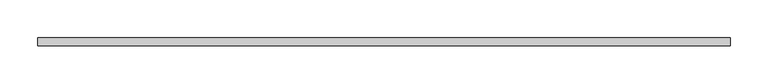
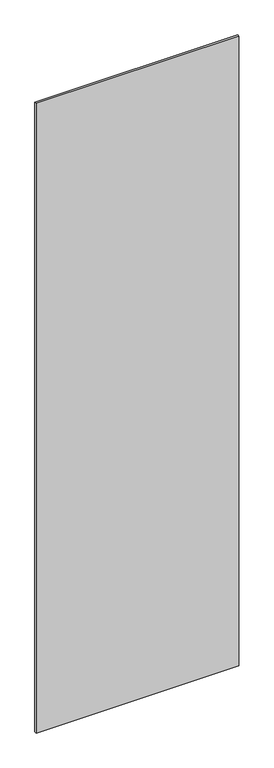
"""IFC4 building model written with IfcOpenShell, lengths in millimetres: plate geometry."""

from ifc_helpers import new_model, si_unit, origin, origin_with_axes, place, context, project, spatial, polyline, outline, extrude, source, transform, mapped, element, save


def plate_ba869d53(model_context):
    return source(origin(), model_context, "Body", "SweptSolid", [
        extrude(outline(polyline([(456.0, 5.0), (456.0, -5.0), (-456.0, -5.0), (-456.0, 5.0), (456.0, 5.0)])), origin_with_axes(), (0.0, 0.0, 1.0), 2994.0),
    ])


if __name__ == "__main__":
    model = new_model("IFC4")
    model_context = context("Model", 3, world=origin())
    ifc_project = project(units=[si_unit("LENGTHUNIT", "METRE", prefix="MILLI")], contexts=[model_context])
    site = spatial("IfcSite", under=ifc_project)
    building = spatial("IfcBuilding", under=site)
    placement = place(None, origin())
    plate_shape = plate_ba869d53(model_context)
    element("IfcPlate", 1, at=placement, inside=building, context=model_context, shape_type="MappedRepresentation", body=[
        mapped(plate_shape, transform((0.0, 0.0, 0.0), x_axis=(1.0, 0.0, 0.0), y_axis=(0.0, 1.0, 0.0), z_axis=(0.0, 0.0, 1.0))),
    ])
    save(model, "model.ifc")
